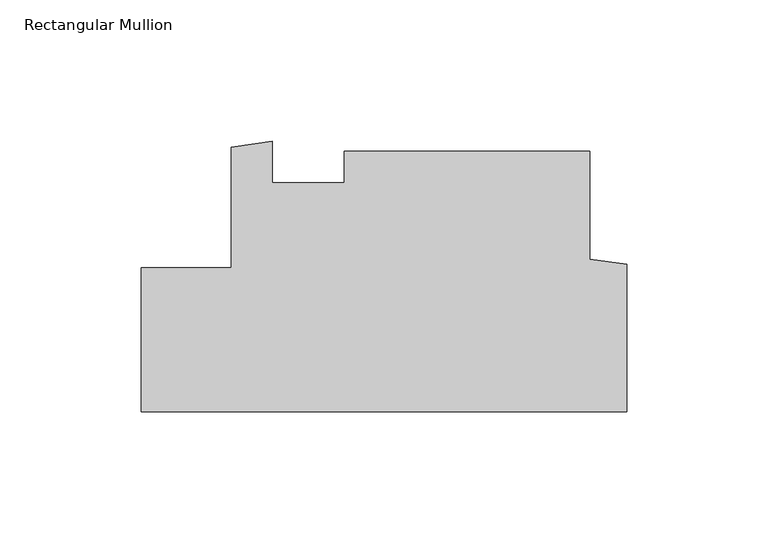
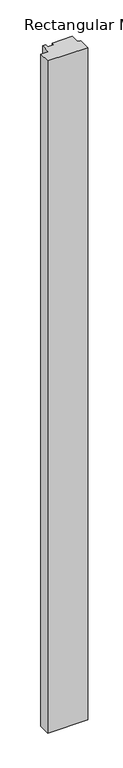
"""IFC4 building model written with IfcOpenShell, lengths in millimetres: member geometry, Rectangular Mullion."""

from ifc_helpers import new_model, si_unit, frame, origin, place, context, project, spatial, polyline, outline, extrude, source, transform, mapped, element, save


def rectangular_mullion_89b4bcbc(model_context):
    return source(origin(), model_context, "Body", "SweptSolid", [
        extrude(outline(polyline([(-171.4499999, -0.1803229), (-139.7010309, -0.1803229), (-139.7010309, 42.4350594), (-125.1965715, 44.4908096), (-125.1965715, 29.9821772), (-99.7975059, 29.9821772), (-99.7975059, 41.0946772), (-12.9550309, 41.0946772), (-12.9550309, 2.8297665), (0.0, 1.0129013), (0.0, -50.9803225), (-171.4499999, -50.9803225), (-171.4499999, -0.1803229)])), frame((0.0, 0.0, -3048.0), z_axis=(0.0, 0.0, 1.0), x_axis=(1.0, 0.0, 0.0)), (0.0, 0.0, 1.0), 3048.0),
    ])


if __name__ == "__main__":
    model = new_model("IFC4")
    model_context = context("Model", 3, world=origin())
    ifc_project = project(units=[si_unit("LENGTHUNIT", "METRE", prefix="MILLI")], contexts=[model_context])
    site = spatial("IfcSite", under=ifc_project)
    building = spatial("IfcBuilding", under=site)
    placement = place(None, origin())
    rectangular_mullion_shape = rectangular_mullion_89b4bcbc(model_context)
    element("IfcMember", 1, ObjectType="Rectangular Mullion", at=placement, inside=building, context=model_context, shape_type="MappedRepresentation", body=[
        mapped(rectangular_mullion_shape, transform((0.0, 0.0, 0.0), x_axis=(1.0, 0.0, 0.0), y_axis=(0.0, 1.0, 0.0), z_axis=(0.0, 0.0, 1.0))),
    ])
    save(model, "model.ifc")
